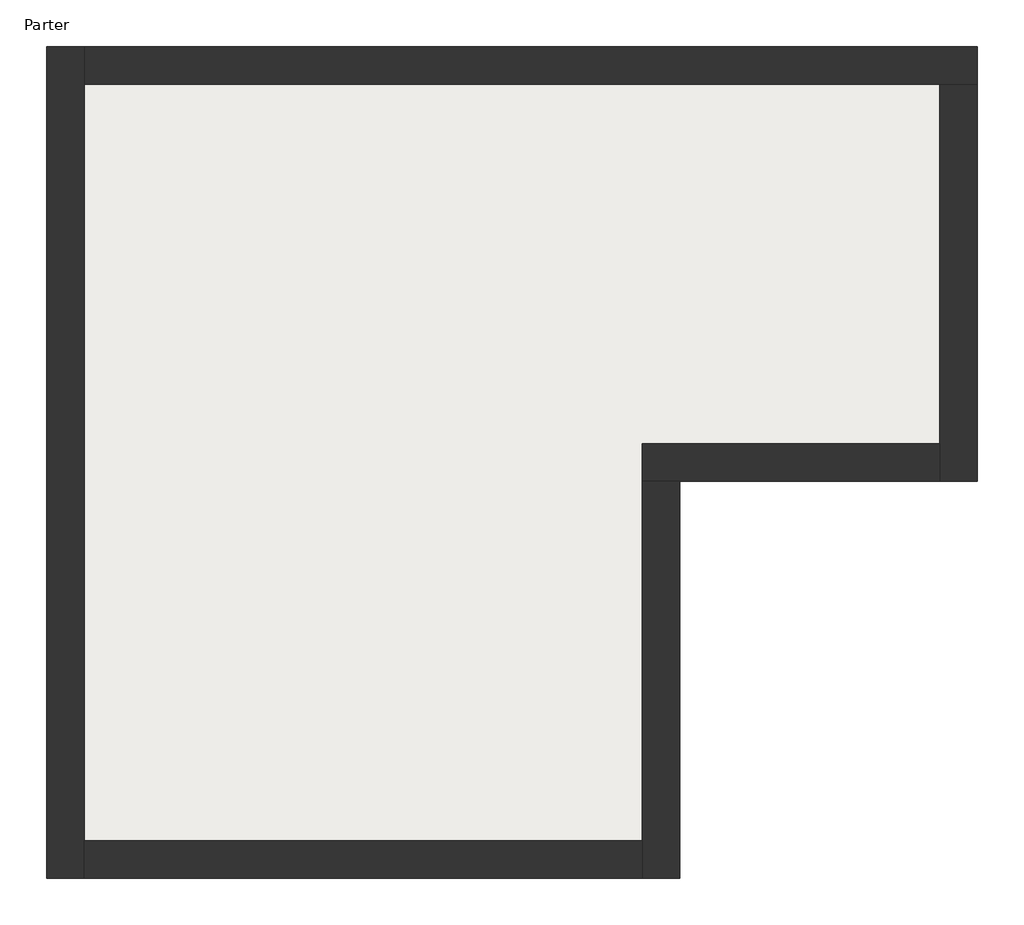
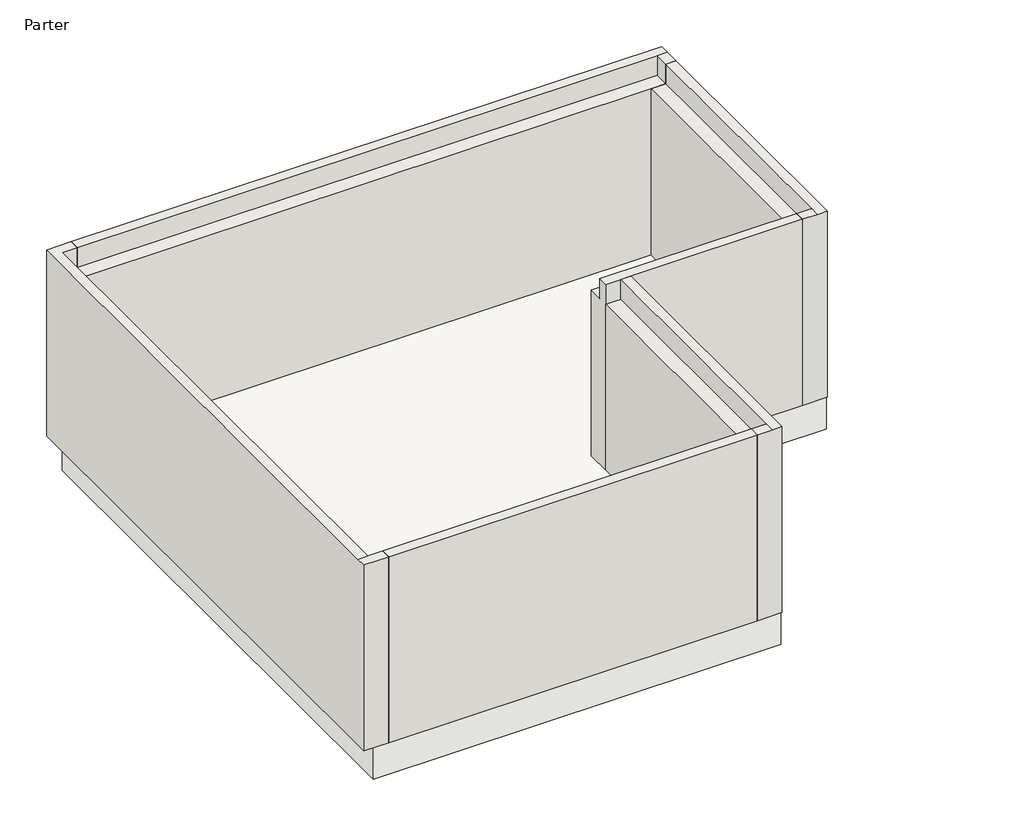
# One storey: 6 walls, 1 slab.
"""IFC4 building model written with IfcOpenShell, lengths in millimetres."""

from ifc_helpers import new_model, si_unit, frame, origin, place, context, project, spatial, polyline, outline, extrude, faceted_brep, element, save

model = new_model("IFC4")

# Units and contexts
model_context = context("Model", 3, world=origin())
ifc_project = project(units=[si_unit("LENGTHUNIT", "METRE", prefix="MILLI")], contexts=[model_context])

# Site, building, storey
site = spatial("IfcSite", under=ifc_project)
building = spatial("IfcBuilding", under=site)
storey = spatial("IfcBuildingStorey", under=building, Name="Parter", Elevation=0.0)

# Slab
placement = place(None, origin())
element("IfcSlab", 1, at=placement, inside=storey, context=model_context, shape_type="SweptSolid", body=[
    extrude(outline(polyline([(-9940.620157, 7390.9977365), (-725.620157, 7390.9977365), (-725.620157, 3175.9977365), (-3725.620157, 3175.9977365), (-3725.620157, -824.0022635), (-9940.620157, -824.0022635), (-9940.620157, 7390.9977365)])), frame((0.0, 0.0, -520.0), z_axis=(0.0, 0.0, 1.0), x_axis=(1.0, 0.0, 0.0)), (0.0, 0.0, 1.0), 520.0),
])

# Walls
element("IfcWall", 2, at=placement, inside=storey, context=model_context, shape_type="Brep", body=[
    faceted_brep([(-9713.620157, -836.0022635, 0.0), (-9713.620157, -457.0022635, 0.0), (-9713.620157, 7163.9977365, 0.0), (-9713.620157, 7542.9977365, 0.0), (-9713.620157, 7542.9977365, 3000.0), (-9713.620157, 7390.9977365, 3000.0), (-9713.620157, 7390.9977365, 2680.0), (-9713.620157, 7163.9977365, 2680.0), (-9713.620157, -457.0022635, 2680.0), (-9713.620157, -684.0022635, 2680.0), (-9713.620157, -684.0022635, 3000.0), (-9713.620157, -836.0022635, 3000.0), (-10092.620157, -836.0022635, 0.0), (-10092.620157, -836.0022635, 3000.0), (-10092.620157, -684.0022635, 3000.0), (-10092.620157, 7390.9977365, 3000.0), (-10092.620157, 7542.9977365, 3000.0), (-10092.620157, 7542.9977365, 0.0), (-9940.620157, 7390.9977365, 3000.0), (-9940.620157, 7390.9977365, 2680.0), (-9940.620157, -684.0022635, 3000.0), (-9940.620157, -684.0022635, 2680.0)], [[[0, 1, 2, 3, 4, 5, 6, 7, 8, 9, 10, 11]], [[12, 13, 14, 15, 16, 17]], [[3, 2, 1, 0, 12, 17]], [[16, 4, 3, 17]], [[0, 11, 13, 12]], [[5, 18, 19, 6]], [[20, 10, 9, 21]], [[18, 20, 21, 19]], [[9, 8, 7, 6, 19, 21]], [[18, 5, 4, 16, 15, 14, 20]], [[14, 13, 11, 10, 20]]]),
])
element("IfcWall", 3, at=placement, inside=storey, context=model_context, shape_type="Brep", body=[
    faceted_brep([(-9713.620157, 7163.9977365, 0.0), (-1092.620157, 7163.9977365, 0.0), (-713.620157, 7163.9977365, 0.0), (-713.620157, 7163.9977365, 3000.0), (-865.620157, 7163.9977365, 3000.0), (-865.620157, 7163.9977365, 2680.0), (-1092.620157, 7163.9977365, 2680.0), (-9713.620157, 7163.9977365, 2680.0), (-9713.620157, 7542.9977365, 0.0), (-9713.620157, 7542.9977365, 3000.0), (-713.620157, 7542.9977365, 3000.0), (-713.620157, 7542.9977365, 0.0), (-9713.620157, 7390.9977365, 2680.0), (-9713.620157, 7390.9977365, 3000.0), (-713.620157, 7390.9977365, 3000.0), (-865.620157, 7390.9977365, 3000.0), (-865.620157, 7390.9977365, 2680.0)], [[[0, 1, 2, 3, 4, 5, 6, 7]], [[8, 9, 10, 11]], [[2, 1, 0, 8, 11]], [[0, 7, 12, 13, 9, 8]], [[3, 2, 11, 10, 14]], [[15, 13, 12, 16]], [[4, 15, 16, 5]], [[7, 6, 5, 16, 12]], [[4, 3, 14, 15]], [[14, 10, 9, 13, 15]]]),
])
element("IfcWall", 4, at=placement, inside=storey, context=model_context, shape_type="Brep", body=[
    faceted_brep([(-1092.620157, 7163.9977365, 0.0), (-1092.620157, 3542.9977365, 0.0), (-1092.620157, 3163.9977365, 0.0), (-1092.620157, 3163.9977365, 3000.0), (-1092.620157, 3315.9977365, 3000.0), (-1092.620157, 3315.9977365, 2680.0), (-1092.620157, 3542.9977365, 2680.0), (-1092.620157, 7163.9977365, 2680.0), (-713.620157, 7163.9977365, 0.0), (-713.620157, 7163.9977365, 3000.0), (-713.620157, 3163.9977365, 3000.0), (-713.620157, 3163.9977365, 0.0), (-865.620157, 7163.9977365, 2680.0), (-865.620157, 7163.9977365, 3000.0), (-865.620157, 3163.9977365, 3000.0), (-865.620157, 3315.9977365, 3000.0), (-865.620157, 3315.9977365, 2680.0)], [[[0, 1, 2, 3, 4, 5, 6, 7]], [[8, 9, 10, 11]], [[2, 1, 0, 8, 11]], [[0, 7, 12, 13, 9, 8]], [[3, 2, 11, 10, 14]], [[15, 13, 12, 16]], [[4, 15, 16, 5]], [[7, 6, 5, 16, 12]], [[4, 3, 14, 15]], [[14, 10, 9, 13, 15]]]),
])
element("IfcWall", 5, at=placement, inside=storey, context=model_context, shape_type="Brep", body=[
    faceted_brep([(-1092.620157, 3542.9977365, 0.0), (-4092.620157, 3542.9977365, 0.0), (-4092.620157, 3542.9977365, 2680.0), (-1092.620157, 3542.9977365, 2680.0), (-1092.620157, 3163.9977365, 0.0), (-1092.620157, 3163.9977365, 3000.0), (-3713.620157, 3163.9977365, 3000.0), (-3865.620157, 3163.9977365, 3000.0), (-4092.620157, 3163.9977365, 3000.0), (-4092.620157, 3163.9977365, 2680.0), (-4092.620157, 3163.9977365, 0.0), (-3713.620157, 3163.9977365, 0.0), (-1092.620157, 3315.9977365, 2680.0), (-1092.620157, 3315.9977365, 3000.0), (-4092.620157, 3315.9977365, 3000.0), (-4092.620157, 3315.9977365, 2680.0), (-3865.620157, 3315.9977365, 2680.0)], [[[0, 1, 2, 3]], [[4, 5, 6, 7, 8, 9, 10, 11]], [[1, 0, 4, 11, 10]], [[0, 3, 12, 13, 5, 4]], [[2, 1, 10, 9, 8, 14, 15]], [[14, 13, 12, 16, 15]], [[3, 2, 15, 16, 12]], [[14, 8, 7, 6, 5, 13]]]),
])
element("IfcWall", 6, at=placement, inside=storey, context=model_context, shape_type="Brep", body=[
    faceted_brep([(-4092.620157, 3163.9977365, 0.0), (-4092.620157, -457.0022635, 0.0), (-4092.620157, -836.0022635, 0.0), (-4092.620157, -836.0022635, 3000.0), (-4092.620157, -684.0022635, 3000.0), (-4092.620157, -684.0022635, 2680.0), (-4092.620157, -457.0022635, 2680.0), (-4092.620157, 3163.9977365, 2680.0), (-3713.620157, 3163.9977365, 0.0), (-3713.620157, 3163.9977365, 3000.0), (-3713.620157, -836.0022635, 3000.0), (-3713.620157, -836.0022635, 0.0), (-3865.620157, 3163.9977365, 2680.0), (-3865.620157, 3163.9977365, 3000.0), (-3865.620157, -836.0022635, 3000.0), (-3865.620157, -684.0022635, 3000.0), (-3865.620157, -684.0022635, 2680.0)], [[[0, 1, 2, 3, 4, 5, 6, 7]], [[8, 9, 10, 11]], [[2, 1, 0, 8, 11]], [[0, 7, 12, 13, 9, 8]], [[3, 2, 11, 10, 14]], [[15, 13, 12, 16]], [[4, 15, 16, 5]], [[7, 6, 5, 16, 12]], [[4, 3, 14, 15]], [[14, 10, 9, 13, 15]]]),
])
element("IfcWall", 7, at=placement, inside=storey, context=model_context, shape_type="SweptSolid", body=[
    extrude(outline(polyline([(-457.0022635, 2680.0), (-457.0022635, 0.0), (-836.0022635, 0.0), (-836.0022635, 3000.0), (-684.0022635, 3000.0), (-684.0022635, 2680.0), (-457.0022635, 2680.0)])), frame((-9713.620157, 0.0, 0.0), z_axis=(1.0, 0.0, 0.0), x_axis=(0.0, 1.0, 0.0)), (0.0, 0.0, 1.0), 5621.0),
])

save(model, "model.ifc")
